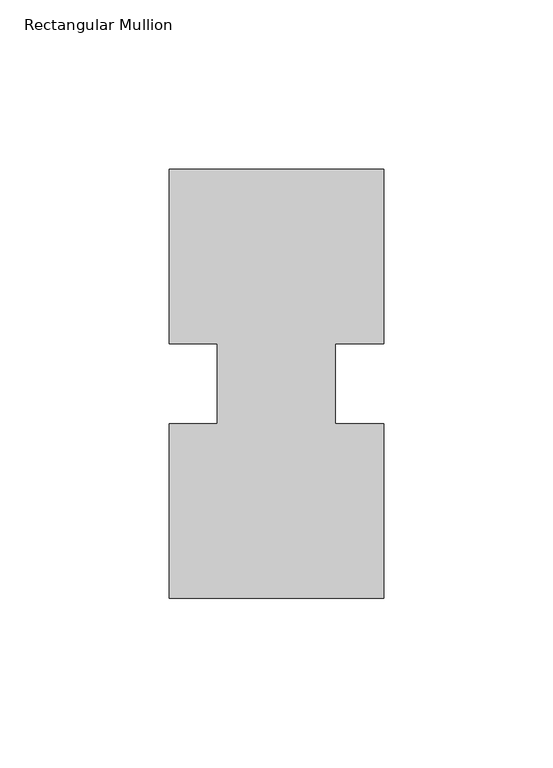
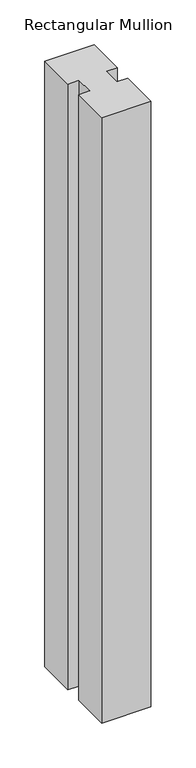
"""IFC4 building model written with IfcOpenShell, lengths in millimetres: member geometry, Rectangular Mullion."""

from ifc_helpers import new_model, si_unit, frame, origin, place, context, project, spatial, polyline, outline, extrude, source, transform, mapped, element, save


def rectangular_mullion_cfc0c525(model_context):
    return source(origin(), model_context, "Body", "SweptSolid", [
        extrude(outline(polyline([(-31.75, 127.00635), (31.75, 127.00635), (31.75, 75.40625), (17.4625, 75.40625), (17.4625, 51.60645), (31.75, 51.60645), (31.75, 0.00635), (-31.75, 0.00635), (-31.75, 51.60645), (-17.4625, 51.60645), (-17.4625, 75.40625), (-31.75, 75.40625), (-31.75, 127.00635)])), frame((0.0, 0.0, -825.5177772), z_axis=(0.0, 0.0, 1.0), x_axis=(1.0, 0.0, 0.0)), (0.0, 0.0, 1.0), 825.5177772),
    ])


if __name__ == "__main__":
    model = new_model("IFC4")
    model_context = context("Model", 3, world=origin())
    ifc_project = project(units=[si_unit("LENGTHUNIT", "METRE", prefix="MILLI")], contexts=[model_context])
    site = spatial("IfcSite", under=ifc_project)
    building = spatial("IfcBuilding", under=site)
    placement = place(None, origin())
    rectangular_mullion_shape = rectangular_mullion_cfc0c525(model_context)
    element("IfcMember", 1, ObjectType="Rectangular Mullion", at=placement, inside=building, context=model_context, shape_type="MappedRepresentation", body=[
        mapped(rectangular_mullion_shape, transform((0.0, 0.0, 0.0), x_axis=(1.0, 0.0, 0.0), y_axis=(0.0, 1.0, 0.0), z_axis=(0.0, 0.0, 1.0))),
    ])
    save(model, "model.ifc")
